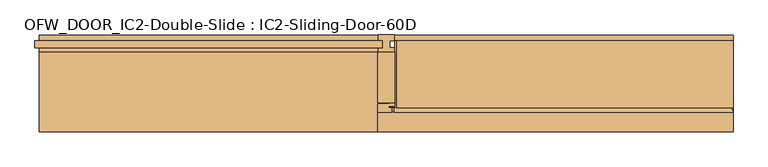
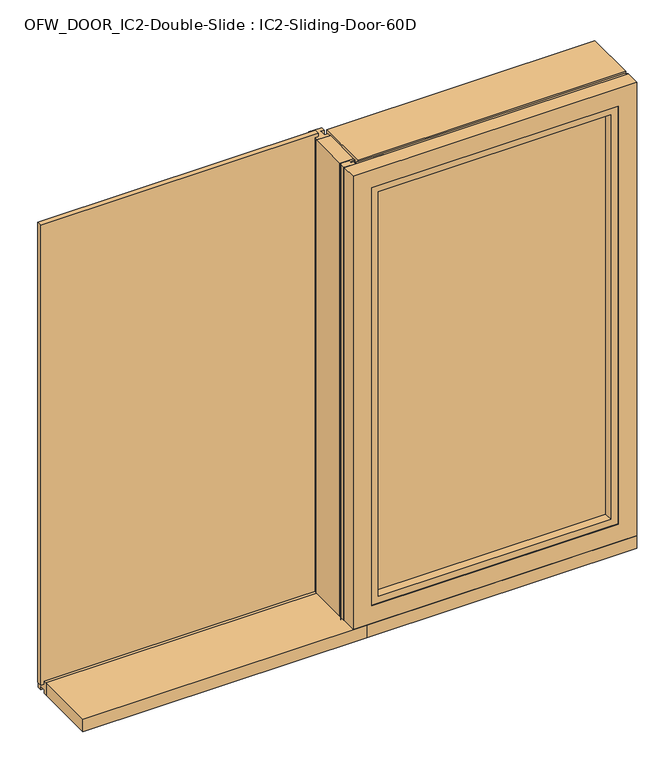
"""IFC4 building model written with IfcOpenShell, lengths in millimetres: door geometry, OFW_DOOR_IC2-Double-Slide : IC2-Sliding-Door-60D."""

from ifc_helpers import new_model, si_unit, point, frame, frame_2d, origin, origin_with_axes, place, context, project, spatial, polyline, circle_curve, trimmed, segment, composite_curve, outline, extrude, faceted_brep, source, transform, mapped, element, save


def ofw_door_ic2_double_slide_ic2_sliding_door_60d_e14a8caf(model_context):
    return source(origin(), model_context, "Body", "SolidModel", [
        faceted_brep([(28.0, 0.0, 2170.0), (13.0, 0.0, 2170.0), (13.0, 0.0, 17.0), (-1220.0, 0.0, 17.0), (-1220.0, 0.0, 2.0), (28.0, 0.0, 2.0), (13.0, -25.0, 2170.0), (13.0, -25.0, 17.0), (-1220.0, -25.0, 17.0), (-1220.0, -25.0, 2.0), (-1220.0, -40.0, 2.0), (-1220.0, -40.0, 58.0), (-1220.0, -25.0, 58.0), (-1220.0, -25.0, 43.0), (-1220.0, 0.0, 43.0), (-1220.0, 0.0, 58.0), (-1220.0, 20.0, 58.0), (-1220.0, 20.0, 2.0), (28.0, 20.0, 2.0), (28.0, 20.0, 2170.0), (-28.0, 20.0, 2170.0), (-28.0, 20.0, 58.0), (-28.0, 0.0, 58.0), (-28.0, 0.0, 2170.0), (-13.0, 0.0, 2170.0), (-13.0, 0.0, 43.0), (-13.0, -25.0, 43.0), (-13.0, -25.0, 2170.0), (-28.0, -25.0, 2170.0), (-28.0, -25.0, 58.0), (-28.0, -40.0, 58.0), (-28.0, -40.0, 2170.0), (28.0, -40.0, 2170.0), (28.0, -40.0, 2.0), (28.0, -25.0, 2.0), (28.0, -25.0, 2170.0)], [[[0, 1, 2, 3, 4, 5]], [[1, 6, 7, 2]], [[2, 7, 8, 3]], [[3, 8, 9, 10, 11, 12, 13, 14, 15, 16, 17, 4]], [[18, 5, 4, 17]], [[19, 0, 5, 18]], [[20, 19, 18, 17, 16, 21]], [[22, 21, 16, 15]], [[23, 20, 21, 22]], [[24, 23, 22, 15, 14, 25]], [[26, 25, 14, 13]], [[27, 24, 25, 26]], [[28, 27, 26, 13, 12, 29]], [[30, 29, 12, 11]], [[31, 28, 29, 30]], [[32, 31, 30, 11, 10, 33]], [[34, 33, 10, 9]], [[35, 32, 33, 34]], [[6, 35, 34, 9, 8, 7]], [[1, 0, 19, 20, 23, 24, 27, 28, 31, 32, 35, 6]]]),
        extrude(outline(polyline([(-13.0, -25.0), (-1235.0, -25.0), (-1235.0, 0.0), (-13.0, 0.0), (-13.0, -25.0)])), frame((0.0, 0.0, 43.0), z_axis=(0.0, 0.0, 1.0), x_axis=(1.0, 0.0, 0.0)), (0.0, 0.0, 1.0), 2142.0),
        extrude(outline(polyline([(30.0, -40.0), (30.0, -218.0), (-30.0, -218.0), (-30.0, -40.0), (30.0, -40.0)])), frame((0.0, 0.0, 60.0), z_axis=(0.0, 0.0, 1.0), x_axis=(1.0, 0.0, 0.0)), (0.0, 0.0, 1.0), 2110.0),
        extrude(outline(polyline([(1121.0, -252.0), (1121.0, -277.0), (69.0, -277.0), (69.0, -252.0), (1121.0, -252.0)])), frame((0.0, 0.0, 173.0), z_axis=(0.0, 0.0, 1.0), x_axis=(1.0, 0.0, 0.0)), (0.0, 0.0, 1.0), 1903.0),
        extrude(outline(polyline([(-235.9999931, 2130.0), (0.0, 2130.0), (0.0, 44.5415691), (-235.9999931, 46.2425671), (-235.9999931, 2130.0)])), frame((1200.0, 0.0, 0.0), z_axis=(1.0, 0.0, 0.0), x_axis=(0.0, 1.0, 0.0)), (0.0, 0.0, 1.0), 20.0),
        extrude(outline(polyline([(-236.0018977, 2130.0), (0.0, 2130.0), (0.0, 44.6613586), (-236.0018977, 45.954372), (-236.0018977, 2130.0)])), frame((30.0, 0.0, 0.0), z_axis=(1.0, 0.0, 0.0), x_axis=(0.0, 1.0, 0.0)), (0.0, 0.0, 1.0), 20.600008),
        extrude(outline(polyline([(1220.0, 0.0), (1220.0, -235.9999931), (38.0, -235.9999931), (38.0, 0.0), (1220.0, 0.0)])), frame((0.0, 0.0, 2130.0), z_axis=(0.0, 0.0, 1.0), x_axis=(1.0, 0.0, 0.0)), (0.0, 0.0, 1.0), 40.0),
        faceted_brep([(83.0, -235.9999931, 65.9356047), (83.0, -252.0, 60.1120784), (83.0, -252.0, 173.8827413), (83.0, -235.9999931, 168.0592151), (1219.8879216, -252.0, 60.1120784), (1214.0643953, -235.9999931, 65.9356047), (1214.0643953, -235.9999931, 2164.0643953), (1219.8879216, -252.0, 2169.8879216), (1111.9407849, -235.9999931, 168.0592151), (1106.1172587, -252.0, 173.8827413), (1106.1172587, -252.0, 2056.1172587), (1111.9407849, -235.9999931, 2061.9407849), (28.0, -235.9999931, 2164.0643953), (28.0, -235.9999931, 2061.9407849), (28.0, -252.0, 2056.1172587), (28.0, -252.0, 2169.8879216)], [[[0, 1, 2, 3]], [[4, 5, 6, 7]], [[8, 9, 10, 11]], [[12, 13, 14, 15]], [[7, 6, 12, 15]], [[11, 10, 14, 13]], [[1, 0, 5, 4]], [[2, 1, 4, 7, 15, 14, 10, 9]], [[3, 2, 9, 8]], [[0, 3, 8, 11, 13, 12, 6, 5]]]),
        extrude(outline(polyline([(19.9995212, -252.0), (19.9995212, -235.9999931), (83.0, -235.9999931), (83.0, -252.0), (19.9995212, -252.0)])), frame((0.0, 0.0, 47.0), z_axis=(0.0, 0.0, 1.0), x_axis=(1.0, 0.0, 0.0)), (0.0, 0.0, 1.0), 2014.9407849),
        extrude(outline(composite_curve([segment(polyline([(11.0, -222.0), (11.0, -218.0), (30.0, -218.0), (30.0, -227.3250393)]), True, "CONTINUOUS"), segment(trimmed(circle_curve(frame_2d((26.825, -227.3250393)), 3.175), [point((30.0, -227.3250393))], [point((26.825, -230.5000393))], False, "CARTESIAN"), True, "CONTINUOUS"), segment(polyline([(26.825, -230.5000393), (8.4992, -230.5000393), (8.4992, -236.0018977), (19.9995212, -236.0018977), (19.9995212, -252.0), (-26.825, -252.0)]), True, "CONTINUOUS"), segment(trimmed(circle_curve(frame_2d((-26.825, -248.825)), 3.175), [point((-26.825, -252.0))], [point((-30.0, -248.825))], False, "CARTESIAN"), True, "CONTINUOUS"), segment(polyline([(-30.0, -248.825), (-30.0, -225.175)]), True, "CONTINUOUS"), segment(trimmed(circle_curve(frame_2d((-26.825, -225.175)), 3.175), [point((-30.0, -225.175))], [point((-26.825, -222.0))], False, "CARTESIAN"), True, "CONTINUOUS"), segment(polyline([(-26.825, -222.0), (11.0, -222.0)]), True, "CONTINUOUS")], self_intersect=False)), frame((0.0, 0.0, 47.0), z_axis=(0.0, 0.0, 1.0), x_axis=(1.0, 0.0, 0.0)), (0.0, 0.0, 1.0), 2123.0),
        extrude(outline(polyline([(-1220.0, -40.0), (30.0, -40.0), (30.0, -320.0), (-1220.0, -320.0), (-1220.0, -40.0)])), origin_with_axes(), (0.0, 0.0, 1.0), 60.0),
        extrude(outline(polyline([(16.6270404, 0.0), (16.6270404, 40.0), (-277.0, 47.0), (-277.0, 50.0008524), (20.0, 42.9204418), (20.0, 0.0), (16.6270404, 0.0)])), frame((30.0, 0.0, 0.0), z_axis=(1.0, 0.0, 0.0), x_axis=(0.0, 1.0, 0.0)), (0.0, 0.0, 1.0), 1190.0),
        extrude(outline(polyline([(-320.0, 0.0), (-320.0, 60.0), (-277.0, 60.0), (-277.0, 47.0), (16.6270404, 40.0), (16.6270404, 0.0), (-320.0, 0.0)])), frame((30.0, 0.0, 0.0), z_axis=(1.0, 0.0, 0.0), x_axis=(0.0, 1.0, 0.0)), (0.0, 0.0, 1.0), 1190.0),
        faceted_brep([(-30.0, -320.0, 2170.0), (-30.0, -252.0, 2170.0), (-30.0, -252.0, 60.0), (-30.0, -320.0, 60.0), (52.0, -317.0, 2088.0), (52.0, -320.0, 2088.0), (52.0, -320.0, 142.0), (52.0, -317.0, 142.0), (83.0, -279.0, 2057.0), (83.0, -317.0, 2057.0), (83.0, -317.0, 173.0), (83.0, -279.0, 173.0), (64.0, -252.0, 2076.0), (64.0, -279.0, 2076.0), (64.0, -279.0, 154.0), (64.0, -252.0, 154.0), (1220.0, -252.0, 60.0), (1220.0, -320.0, 60.0), (1138.0, -320.0, 142.0), (1138.0, -317.0, 142.0), (1107.0, -317.0, 173.0), (1107.0, -279.0, 173.0), (1126.0, -279.0, 154.0), (1126.0, -252.0, 154.0), (1220.0, -252.0, 2170.0), (1220.0, -320.0, 2170.0), (1138.0, -320.0, 2088.0), (1138.0, -317.0, 2088.0), (1107.0, -317.0, 2057.0), (1107.0, -279.0, 2057.0), (1126.0, -279.0, 2076.0), (1126.0, -252.0, 2076.0)], [[[0, 1, 2, 3]], [[4, 5, 6, 7]], [[8, 9, 10, 11]], [[12, 13, 14, 15]], [[3, 2, 16, 17]], [[7, 6, 18, 19]], [[11, 10, 20, 21]], [[15, 14, 22, 23]], [[17, 16, 24, 25]], [[19, 18, 26, 27]], [[21, 20, 28, 29]], [[23, 22, 30, 31]], [[25, 24, 1, 0]], [[3, 17, 25, 0], [5, 26, 18, 6]], [[27, 26, 5, 4]], [[7, 19, 27, 4], [9, 28, 20, 10]], [[29, 28, 9, 8]], [[13, 30, 22, 14], [11, 21, 29, 8]], [[31, 30, 13, 12]], [[1, 24, 16, 2], [15, 23, 31, 12]]]),
    ])


if __name__ == "__main__":
    model = new_model("IFC4")
    model_context = context("Model", 3, world=origin())
    ifc_project = project(units=[si_unit("LENGTHUNIT", "METRE", prefix="MILLI")], contexts=[model_context])
    site = spatial("IfcSite", under=ifc_project)
    building = spatial("IfcBuilding", under=site)
    placement = place(None, origin())
    ofw_door_ic2_double_slide_ic2_sliding_door_60d_shape = ofw_door_ic2_double_slide_ic2_sliding_door_60d_e14a8caf(model_context)
    element("IfcDoor", 1, ObjectType="OFW_DOOR_IC2-Double-Slide : IC2-Sliding-Door-60D", at=placement, inside=building, context=model_context, shape_type="MappedRepresentation", body=[
        mapped(ofw_door_ic2_double_slide_ic2_sliding_door_60d_shape, transform((0.0, 0.0, 0.0), x_axis=(1.0, 0.0, 0.0), y_axis=(0.0, 1.0, 0.0), z_axis=(0.0, 0.0, 1.0))),
    ])
    save(model, "model.ifc")
